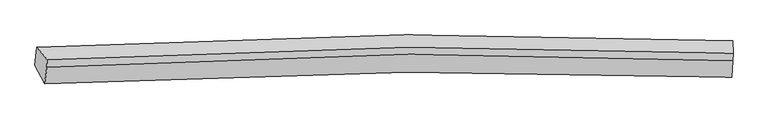
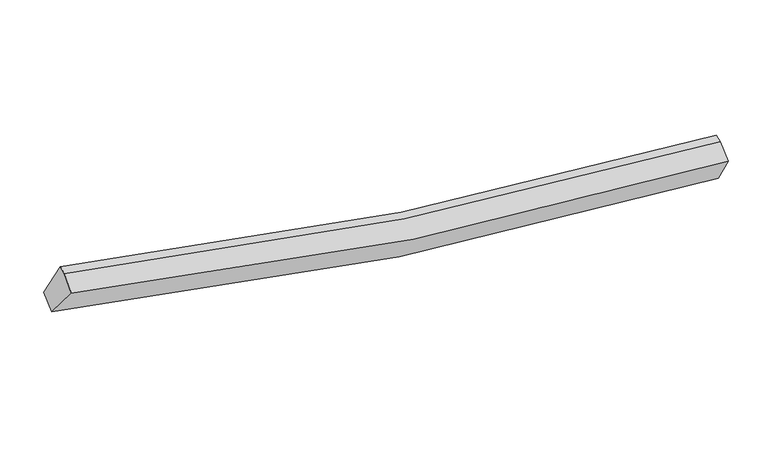
"""IFC4 building model written with IfcOpenShell, lengths in millimetres: proxy geometry."""

from ifc_helpers import new_model, si_unit, frame, origin, place, context, project, spatial, source, transform, mapped, element, save
from ifc_brep_helpers import plane_surface, spline_curve, spline_surface, advanced_brep


def generic_models_3909395b(model_context):
    return source(origin(), model_context, "Body", "AdvancedBrep", [
        advanced_brep(
        [(-6356.1358385, -2541.9465359, 4322.3566338), (-6545.3568064, -2185.0129524, 3775.3704892), (7009.0363121, -2057.6260246, 1814.454052), (7009.7517923, -2417.090248, 2391.675812), (-6312.9348117, -2221.8754886, 4534.258149), (7026.6158451, -2097.3727681, 2607.801685), (-6306.1585342, -2072.3406546, 4589.0208618), (7033.3921226, -1947.8379341, 2662.5643978), (-6509.573607, -1836.0774381, 3969.0518697), (7026.4908318, -1708.9365683, 2011.0752881)],
        [
            (0, 1),
            (1, 2, spline_curve(3, [(-6545.3568064, -2185.0129524, 3775.3704892), (-4177.448048906, -2051.211690843, 3129.026038613), (-1790.098835638, -1976.590405071, 2641.53271948), (2732.449461592, -1947.574960457, 2023.988036099), (4863.231287587, -1979.733936827, 1857.842542742), (7009.0363121, -2057.6260246, 1814.454052)], [4, 2, 4], [0.0, 23.79725850995782, 44.71693238480246])),
            (2, 3),
            (3, 0, spline_curve(3, [(7009.7517923, -2417.090248, 2391.675812), (4885.869382429, -2340.343048652, 2435.477848434), (2780.506321671, -2308.608734974, 2599.637634891), (-1680.234783125, -2336.992399391, 3207.809230395), (-4030.16759865, -2410.345476056, 3687.209717469), (-6356.1358385, -2541.9465359, 4322.3566338)], [4, 2, 4], [0.0, 20.91967387484464, 44.71693238480246])),
            (4, 0),
            (3, 5),
            (5, 4, spline_curve(3, [(7026.6158451, -2097.3727681, 2607.801685), (4905.292322621, -2002.842349844, 2648.305027092), (2803.212407284, -1961.61844815, 2810.401148037), (-1648.962658972, -1987.445688464, 3416.801490109), (-3993.399628044, -2070.17049748, 3896.857523147), (-6312.9348117, -2221.8754886, 4534.258149)], [4, 2, 4], [0.0, 20.75381230181121, 44.36239431738586])),
            (6, 4),
            (5, 7),
            (7, 6, spline_curve(3, [(7033.3921226, -1947.8379341, 2662.5643978), (4911.93545662, -1856.245652405, 2701.991734201), (2809.784684726, -1816.585355303, 2863.515231261), (-1642.408694901, -1842.816747967, 3469.76756434), (-3986.774808776, -1923.977952543, 3950.396221373), (-6306.1585342, -2072.3406546, 4589.0208618)], [4, 2, 4], [0.0, 20.73490476696382, 44.32197844080995])),
            (8, 6),
            (7, 9),
            (9, 8, spline_curve(3, [(7026.4908318, -1708.9365683, 2011.0752881), (4883.349951475, -1619.403253631, 2058.80801111), (2755.323054859, -1581.031149446, 2227.050926863), (-1761.142374982, -1608.368555417, 2844.276286261), (-4145.136957924, -1689.120949462, 3328.692230799), (-6509.573607, -1836.0774381, 3969.0518697)], [4, 2, 4], [0.0, 20.88647246557798, 44.64596257991259])),
            (1, 8),
            (9, 2),
        ],
        [
            spline_surface(3, 3, [[(-6356.1358385, -2541.9465359, 4322.3566338), (-4030.16759898, -2410.345476073, 3687.209717713), (-1680.234782836, -2336.992399734, 3207.809230198), (2780.506321417, -2308.608734673, 2599.637635064), (4885.869382176, -2340.343048363, 2435.477848613), (7009.7517923, -2417.090248, 2391.675812)], [(-6419.209494465, -2422.968674749, 4140.027918955), (-4079.261082362, -2290.634214389, 3501.148491348), (-1716.856133705, -2216.858401508, 3019.050393318), (2764.487368103, -2188.264143254, 2407.754435399), (4878.323350527, -2220.14001127, 2242.932746638), (7009.513298874, -2297.268840201, 2199.268558676)], [(-6482.283150435, -2303.990813551, 3957.699204045), (-4128.354565751, -2170.922952658, 3315.08726492), (-1753.477484602, -2096.724403311, 2830.291556417), (2748.46841476, -2067.919551864, 2215.871235714), (4870.777318957, -2099.936974173, 2050.387644635), (7009.274805526, -2177.447432399, 2006.861305324)], [(-6545.3568064, -2185.0129524, 3775.3704892), (-4177.448049134, -2051.211690974, 3129.026038556), (-1790.098835471, -1976.590405085, 2641.532719537), (2732.449461445, -1947.574960445, 2023.988036049), (4863.231287309, -1979.73393708, 1857.84254266), (7009.0363121, -2057.6260246, 1814.454052)]], [4, 4], [4, 2, 4], [0.0, 2.230583103884326], [0.0, 23.79725850995782, 44.71693238480246]),
            spline_surface(3, 3, [[(-6312.9348117, -2221.8754886, 4534.258149), (-3993.399628429, -2070.170497397, 3896.8575231), (-1648.962658619, -1987.445688674, 3416.801489716), (2803.212406973, -1961.618447965, 2810.401148382), (4905.292322765, -2002.842349827, 2648.305027095), (7026.6158451, -2097.3727681, 2607.801685)], [(-6327.335153961, -2328.565837708, 4463.624310598), (-4005.655618607, -2183.562156964, 3826.974921302), (-1659.386700019, -2103.961259044, 3347.137403223), (2795.643711793, -2077.281876884, 2740.146643956), (4898.818009258, -2115.342582674, 2577.362634279), (7020.994494189, -2203.945261402, 2535.759727344)], [(-6341.735496239, -2435.256186792, 4392.990472202), (-4017.911608802, -2296.953816506, 3757.092319511), (-1669.810741436, -2220.476829364, 3277.473316691), (2788.075016597, -2192.945305753, 2669.892139491), (4892.343695683, -2227.842815515, 2506.420241429), (7015.373143211, -2310.517754698, 2463.717769656)], [(-6356.1358385, -2541.9465359, 4322.3566338), (-4030.16759898, -2410.345476073, 3687.209717713), (-1680.234782836, -2336.992399734, 3207.809230198), (2780.506321417, -2308.608734673, 2599.637635064), (4885.869382176, -2340.343048363, 2435.477848613), (7009.7517923, -2417.090248, 2391.675812)]], [4, 4], [4, 2, 4], [0.0, 1.3370815070165447], [0.0, 23.608582015574655, 44.36239431738586]),
            spline_surface(3, 3, [[(-6306.1585342, -2072.3406546, 4589.0208618), (-3986.774809139, -1923.977952454, 3950.396221328), (-1642.408695124, -1842.816748215, 3469.767564009), (2809.784684922, -1816.585355085, 2863.515231553), (4911.93545651, -1856.245652463, 2701.991734201), (7033.3921226, -1947.8379341, 2662.5643978)], [(-6308.417293378, -2122.185599275, 4570.766624196), (-3988.983082247, -1972.708800777, 3932.549988581), (-1644.593349615, -1891.026395034, 3452.112205905), (2807.593925613, -1864.929719378, 2845.810537157), (4909.721078584, -1905.111218259, 2684.096165161), (7031.133363422, -1997.682878775, 2644.310160196)], [(-6310.676052522, -2172.030543925, 4552.512386604), (-3991.191355321, -2021.439649075, 3914.703755847), (-1646.778004128, -1939.236041854, 3434.456847819), (2805.403166282, -1913.274083672, 2828.105842778), (4907.506700692, -1953.976784031, 2666.200596134), (7028.874604278, -2047.527823425, 2626.055922604)], [(-6312.9348117, -2221.8754886, 4534.258149), (-3993.399628429, -2070.170497397, 3896.8575231), (-1648.962658619, -1987.445688674, 3416.801489716), (2803.212406973, -1961.618447965, 2810.401148382), (4905.292322765, -2002.842349827, 2648.305027095), (7026.6158451, -2097.3727681, 2607.801685)]], [4, 4], [4, 2, 4], [0.0, 0.5064644365597996], [0.0, 23.58707367384613, 44.32197844080995]),
            spline_surface(3, 3, [[(-6509.573607, -1836.0774381, 3969.0518697), (-4145.136958216, -1689.120949445, 3328.692230922), (-1761.14237522, -1608.368555461, 2844.276286124), (2755.323055068, -1581.031149408, 2227.050926983), (4883.349951714, -1619.403253452, 2058.808011247), (7026.4908318, -1708.9365683, 2011.0752881)], [(-6441.768582737, -1914.831843572, 4175.708200386), (-4092.349575195, -1767.406617087, 3535.926894377), (-1721.564481867, -1686.517953029, 3052.773378732), (2773.476931673, -1659.549217951, 2439.205695153), (4892.878453328, -1698.350719772, 2273.202585553), (7028.791262083, -1788.570356883, 2228.238324655)], [(-6373.963558463, -1993.586249128, 4382.364531114), (-4039.562192161, -1845.692284812, 3743.161557873), (-1681.986588476, -1764.667350647, 3261.2704714), (2791.630808317, -1738.067286542, 2651.360463383), (4902.406954895, -1777.298186143, 2487.597159895), (7031.091692317, -1868.204145517, 2445.401361245)], [(-6306.1585342, -2072.3406546, 4589.0208618), (-3986.774809139, -1923.977952454, 3950.396221328), (-1642.408695124, -1842.816748215, 3469.767564009), (2809.784684922, -1816.585355085, 2863.515231553), (4911.93545651, -1856.245652463, 2701.991734201), (7033.3921226, -1947.8379341, 2662.5643978)]], [4, 4], [4, 2, 4], [0.0, 2.2268938273677197], [0.0, 23.75949011433461, 44.64596257991259]),
            spline_surface(3, 3, [[(-6545.3568064, -2185.0129524, 3775.3704892), (-4177.448049134, -2051.211690974, 3129.026038556), (-1790.098835471, -1976.590405085, 2641.532719537), (2732.449461445, -1947.574960445, 2023.988036049), (4863.231287309, -1979.73393708, 1857.84254266), (7009.0363121, -2057.6260246, 1814.454052)], [(-6533.429073259, -2068.701114295, 3839.930949366), (-4166.677685486, -1930.514777126, 3195.58143601), (-1780.446682063, -1853.849788553, 2709.113908405), (2740.073992643, -1825.393690109, 2091.675666366), (4869.937508776, -1859.623709209, 1924.831032185), (7014.854485333, -1941.396205839, 1879.994464029)], [(-6521.501340141, -1952.389276205, 3904.491409534), (-4155.907321864, -1809.817863293, 3262.136833467), (-1770.794528628, -1731.109171993, 2776.695097256), (2747.698523869, -1703.212419744, 2159.363296666), (4876.643730246, -1739.513481323, 1991.819521722), (7020.672658567, -1825.166387061, 1945.534876071)], [(-6509.573607, -1836.0774381, 3969.0518697), (-4145.136958216, -1689.120949445, 3328.692230922), (-1761.14237522, -1608.368555461, 2844.276286124), (2755.323055068, -1581.031149408, 2227.050926983), (4883.349951714, -1619.403253452, 2058.808011247), (7026.4908318, -1708.9365683, 2011.0752881)]], [4, 4], [4, 2, 4], [0.0, 1.3796446014822956], [0.0, 23.948129342577747, 45.000430621302314]),
            plane_surface(frame((7021.0573808, -2045.7727086, 2297.514247), z_axis=(0.9990463943588277, -0.036495667569362976, -0.023965979372691133), x_axis=(-0.04251351133797745, -0.9381627049836334, -0.3435743592463032))),
            plane_surface(frame((-6406.0319196, -2171.4506139, 4238.0116007), z_axis=(-0.955127347712276, -0.06272997083688571, 0.2894765973458242), x_axis=(0.2782661292555752, -0.5249023286065251, 0.804391389021891))),
        ],
        [
            (0, [[1, 2, 3, 4]]),
            (1, [[5, -4, 6, 7]]),
            (2, [[8, -7, 9, 10]]),
            (3, [[11, -10, 12, 13]]),
            (4, [[14, -13, 15, -2]]),
            (5, [[-9, -6, -3, -15, -12]]),
            (6, [[-1, -5, -8, -11, -14]]),
        ],
    ),
    ])


if __name__ == "__main__":
    model = new_model("IFC4")
    model_context = context("Model", 3, world=origin())
    ifc_project = project(units=[si_unit("LENGTHUNIT", "METRE", prefix="MILLI")], contexts=[model_context])
    site = spatial("IfcSite", under=ifc_project)
    building = spatial("IfcBuilding", under=site)
    placement = place(None, origin())
    generic_models_shape = generic_models_3909395b(model_context)
    element("IfcBuildingElementProxy", 1, Name="Generic Models", at=placement, inside=building, context=model_context, shape_type="MappedRepresentation", body=[
        mapped(generic_models_shape, transform((0.0, 0.0, 0.0), x_axis=(1.0, 0.0, 0.0), y_axis=(0.0, 1.0, 0.0), z_axis=(0.0, 0.0, 1.0))),
    ])
    save(model, "model.ifc")
